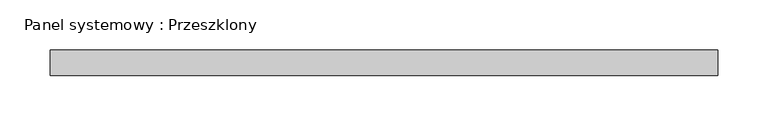
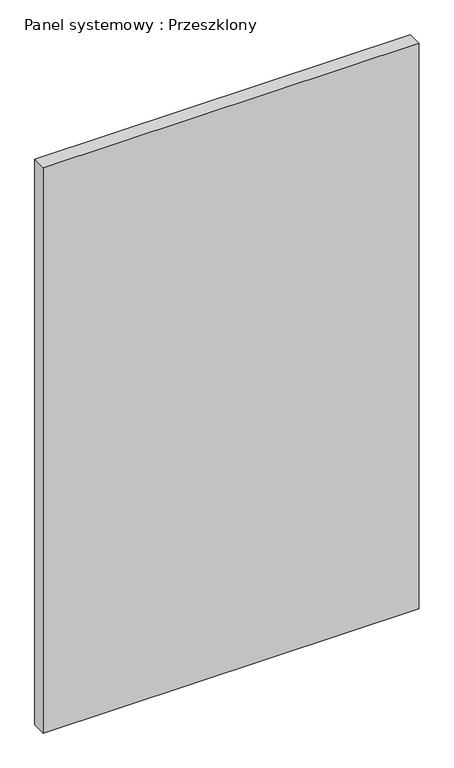
"""IFC4 building model written with IfcOpenShell, lengths in millimetres: plate geometry, Panel systemowy : Przeszklony."""

from ifc_helpers import new_model, si_unit, origin, origin_with_axes, place, context, project, spatial, polyline, outline, extrude, source, transform, mapped, element, save


def panel_systemowy_przeszklony_a7a02d7b(model_context):
    return source(origin(), model_context, "Body", "SweptSolid", [
        extrude(outline(polyline([(330.25, 24.5), (-330.25, 24.5), (-330.25, 49.5), (330.25, 49.5), (330.25, 24.5)])), origin_with_axes(), (0.0, 0.0, 1.0), 1050.0),
    ])


if __name__ == "__main__":
    model = new_model("IFC4")
    model_context = context("Model", 3, world=origin())
    ifc_project = project(units=[si_unit("LENGTHUNIT", "METRE", prefix="MILLI")], contexts=[model_context])
    site = spatial("IfcSite", under=ifc_project)
    building = spatial("IfcBuilding", under=site)
    placement = place(None, origin())
    panel_systemowy_przeszklony_shape = panel_systemowy_przeszklony_a7a02d7b(model_context)
    element("IfcPlate", 1, ObjectType="Panel systemowy : Przeszklony", at=placement, inside=building, context=model_context, shape_type="MappedRepresentation", body=[
        mapped(panel_systemowy_przeszklony_shape, transform((0.0, 0.0, 0.0), x_axis=(1.0, 0.0, 0.0), y_axis=(0.0, 1.0, 0.0), z_axis=(0.0, 0.0, 1.0))),
    ])
    save(model, "model.ifc")
